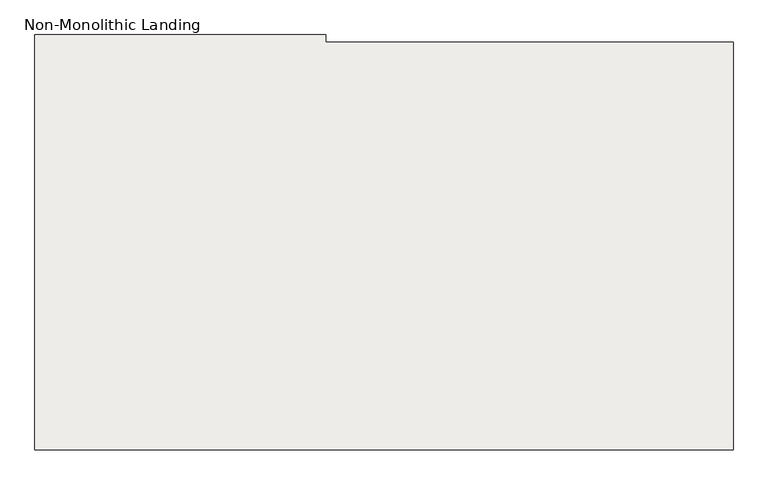
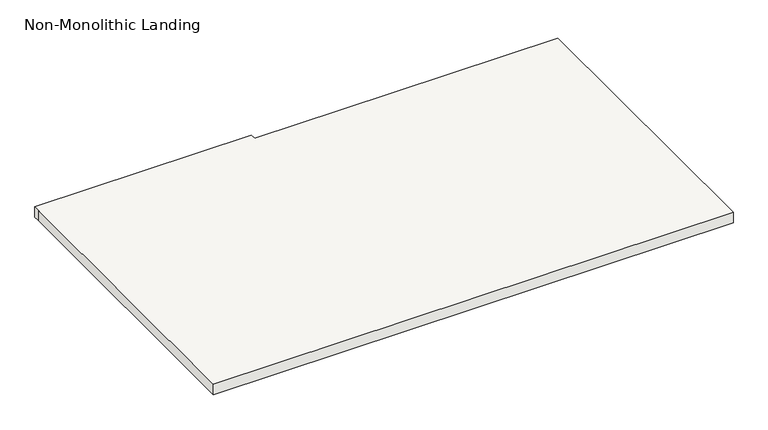
"""IFC4 building model written with IfcOpenShell, lengths in millimetres: slab geometry, Non-Monolithic Landing."""

from ifc_helpers import new_model, si_unit, frame, origin, place, context, project, spatial, polyline, outline, extrude, source, transform, mapped, element, save


def non_monolithic_landing_a0405dc9(model_context):
    return source(origin(), model_context, "Body", "SweptSolid", [
        extrude(outline(polyline([(8572.487827, 11279.9019376), (8572.487827, 9854.3907272), (6134.0878226, 9854.3907272), (6134.0878226, 11279.9019376), (6134.0878226, 11305.3019376), (7150.0878226, 11305.3019376), (7150.0878226, 11279.9019376), (7556.487827, 11279.9019376), (8572.487827, 11279.9019376)])), frame((0.0, 0.0, 4892.675), z_axis=(0.0, 0.0, 1.0), x_axis=(1.0, 0.0, 0.0)), (0.0, 0.0, 1.0), 50.8),
    ])


if __name__ == "__main__":
    model = new_model("IFC4")
    model_context = context("Model", 3, world=origin())
    ifc_project = project(units=[si_unit("LENGTHUNIT", "METRE", prefix="MILLI")], contexts=[model_context])
    site = spatial("IfcSite", under=ifc_project)
    building = spatial("IfcBuilding", under=site)
    placement = place(None, origin())
    non_monolithic_landing_shape = non_monolithic_landing_a0405dc9(model_context)
    element("IfcSlab", 1, ObjectType="Non-Monolithic Landing", at=placement, inside=building, context=model_context, shape_type="MappedRepresentation", body=[
        mapped(non_monolithic_landing_shape, transform((0.0, 0.0, 0.0), x_axis=(1.0, 0.0, 0.0), y_axis=(0.0, 1.0, 0.0), z_axis=(0.0, 0.0, 1.0))),
    ])
    save(model, "model.ifc")
